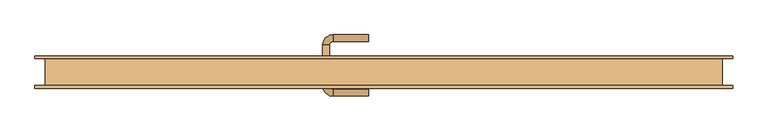
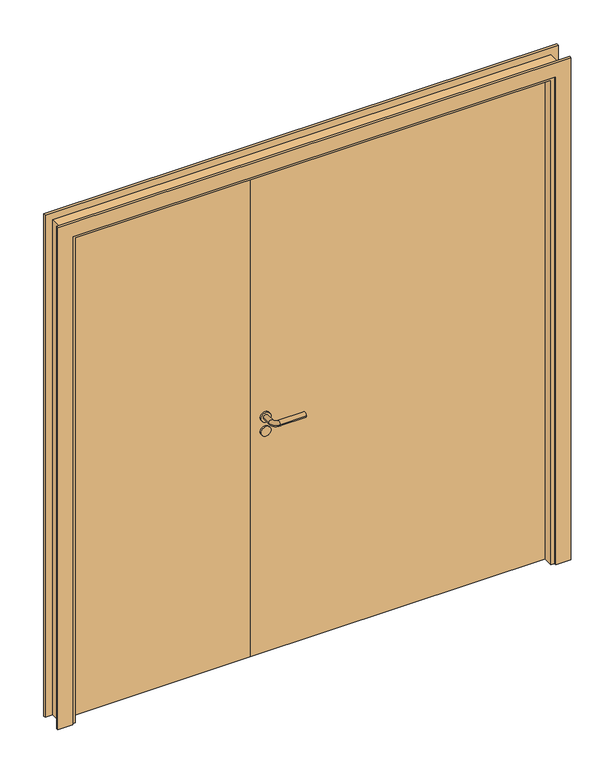
"""IFC4 building model written with IfcOpenShell, lengths in millimetres: door geometry."""

from ifc_helpers import new_model, si_unit, point, frame, frame_2d, origin, origin_with_axes, place, context, project, spatial, polyline, circle_curve, ellipse_curve, trimmed, segment, composite_curve, outline, extrude, faceted_brep, source, transform, mapped, element, save
from ifc_brep_helpers import plane_surface, cylinder_surface, revolved_surface, advanced_brep


def door_22148fc0(model_context):
    return source(origin(), model_context, "Body", "SolidModel", [
        advanced_brep(
        [(-190.0, -6.5831809, 1000.0), (-150.0, -6.5831809, 1000.0), (-180.0, -6.5831809, 1000.0), (-160.0, -6.5831809, 1000.0), (-190.0, 0.0, 1000.0), (-150.0, 0.0, 1000.0), (-45.0, -70.6350833, 1000.0), (-45.0, -50.6350833, 1000.0), (-180.0, -40.6350833, 1000.0), (-160.0, -40.6350833, 1000.0), (-150.0, -70.6350833, 1000.0), (-150.0, -50.6350833, 1000.0)],
        [
            (0, 1, circle_curve(frame((-170.0, -6.5831809, 1000.0), z_axis=(0.0, -1.0, 0.0), x_axis=(1.0, 0.0, 0.0)), 20.0)),
            (1, 0, circle_curve(frame((-170.0, -6.5831809, 1000.0), z_axis=(0.0, -1.0, 0.0), x_axis=(1.0, 0.0, 0.0)), 20.0)),
            (2, 3, circle_curve(frame((-170.0, -6.5831809, 1000.0), z_axis=(0.0, 1.0, 0.0), x_axis=(1.0, 0.0, 0.0)), 10.0)),
            (3, 2, circle_curve(frame((-170.0, -6.5831809, 1000.0), z_axis=(0.0, 1.0, 0.0), x_axis=(1.0, 0.0, 0.0)), 10.0)),
            (4, 5, circle_curve(frame((-170.0, 0.0, 1000.0), z_axis=(0.0, 1.0, 0.0), x_axis=(1.0, 0.0, 0.0)), 20.0)),
            (5, 4, circle_curve(frame((-170.0, 0.0, 1000.0), z_axis=(0.0, 1.0, 0.0), x_axis=(1.0, 0.0, 0.0)), 20.0)),
            (0, 4),
            (5, 1),
            (6, 7, circle_curve(frame((-45.0, -60.6350833, 1000.0), z_axis=(1.0, 0.0, 0.0), x_axis=(0.0, 1.0, 0.0)), 10.0)),
            (7, 6, circle_curve(frame((-45.0, -60.6350833, 1000.0), z_axis=(1.0, 0.0, 0.0), x_axis=(0.0, 1.0, 0.0)), 10.0)),
            (8, 9, circle_curve(frame((-170.0, -40.6350833, 1000.0), z_axis=(0.0, 1.0, 0.0), x_axis=(1.0, 0.0, 0.0)), 10.0)),
            (9, 3),
            (2, 8),
            (9, 8, circle_curve(frame((-170.0, -40.6350833, 1000.0), z_axis=(0.0, 1.0, 0.0), x_axis=(1.0, 0.0, 0.0)), 10.0)),
            (8, 10, circle_curve(frame((-150.0, -40.6350833, 1000.0), z_axis=(0.0, 0.0, 1.0), x_axis=(-1.0, 0.0, 0.0)), 30.0)),
            (10, 11, circle_curve(frame((-150.0, -60.6350833, 1000.0), z_axis=(-1.0, 0.0, 0.0), x_axis=(0.0, 1.0, 0.0)), 10.0)),
            (11, 9, circle_curve(frame((-150.0, -40.6350833, 1000.0), z_axis=(0.0, 0.0, -1.0), x_axis=(-1.0, 0.0, 0.0)), 10.0)),
            (11, 10, circle_curve(frame((-150.0, -60.6350833, 1000.0), z_axis=(-1.0, 0.0, 0.0), x_axis=(0.0, 1.0, 0.0)), 10.0)),
            (7, 11),
            (10, 6),
        ],
        [
            plane_surface(frame((-150.0, -6.5831809, 1000.0), z_axis=(0.0, -1.0, 0.0), x_axis=(0.0, 0.0, 1.0))),
            plane_surface(frame((-150.0, 0.0, 1000.0), z_axis=(0.0, 1.0, 0.0), x_axis=(0.0, 0.0, -1.0))),
            cylinder_surface(frame((-170.0, 0.0, 1000.0), z_axis=(0.0, -1.0, 0.0), x_axis=(1.0, 0.0, 0.0)), 20.0),
            plane_surface(frame((-45.0, -60.6350833, 1000.0), z_axis=(1.0, 0.0, 0.0), x_axis=(0.0, 0.0, -1.0))),
            cylinder_surface(frame((-170.0, 0.0, 1000.0), z_axis=(0.0, 1.0, 0.0), x_axis=(1.0, 0.0, 0.0)), 10.0),
            revolved_surface(trimmed(ellipse_curve(frame((-170.0, -40.6350833, 1000.0), z_axis=(0.0, 1.0, 0.0), x_axis=(1.0, 0.0, 0.0)), 10.0, 10.0), [point((-180.0, -40.6350833, 1000.0))], [point((-160.0, -40.6350833, 1000.0))], True, "CARTESIAN"), (-150.0, -40.6350833, 1000.0), (0.0, 0.0, 1.0)),
            revolved_surface(trimmed(ellipse_curve(frame((-170.0, -40.6350833, 1000.0), z_axis=(0.0, 1.0, 0.0), x_axis=(1.0, 0.0, 0.0)), 10.0, 10.0), [point((-160.0, -40.6350833, 1000.0))], [point((-180.0, -40.6350833, 1000.0))], True, "CARTESIAN"), (-150.0, -40.6350833, 1000.0), (0.0, 0.0, 1.0)),
            cylinder_surface(frame((-150.0, -60.6350833, 1000.0), z_axis=(-1.0, 0.0, 0.0), x_axis=(0.0, 1.0, 0.0)), 10.0),
        ],
        [
            (0, [[1, 2], [3, 4]]),
            (1, [[5, 6]]),
            (2, [[-1, 7, -6, 8]]),
            (2, [[-2, -8, -5, -7]]),
            (3, [[9, 10]]),
            (4, [[11, 12, -3, 13]]),
            (4, [[14, -13, -4, -12]]),
            (5, [[-11, 15, 16, 17]]),
            (6, [[-14, -17, 18, -15]]),
            (7, [[-10, 19, -16, 20]]),
            (7, [[-9, -20, -18, -19]]),
        ],
    ),
        extrude(outline(composite_curve([segment(trimmed(circle_curve(frame_2d((940.0, -170.0)), 20.0), [point((940.0, -190.0))], [point((940.0, -150.0))], False, "CARTESIAN"), True, "CONTINUOUS"), segment(trimmed(circle_curve(frame_2d((940.0, -170.0)), 20.0), [point((940.0, -150.0))], [point((940.0, -190.0))], False, "CARTESIAN"), True, "CONTINUOUS")], self_intersect=False)), frame((0.0, -6.5831809, 0.0), z_axis=(0.0, 1.0, 0.0), x_axis=(0.0, 0.0, 1.0)), (0.0, 0.0, 1.0), 6.5831809),
        advanced_brep(
        [(-190.0, 46.5831809, 1000.0), (-150.0, 46.5831809, 1000.0), (-180.0, 46.5831809, 1000.0), (-160.0, 46.5831809, 1000.0), (-190.0, 40.0, 1000.0), (-150.0, 40.0, 1000.0), (-45.0, 110.6350833, 1000.0), (-45.0, 90.6350833, 1000.0), (-180.0, 80.6350833, 1000.0), (-160.0, 80.6350833, 1000.0), (-150.0, 90.6350833, 1000.0), (-150.0, 110.6350833, 1000.0)],
        [
            (0, 1, circle_curve(frame((-170.0, 46.5831809, 1000.0), z_axis=(0.0, 1.0, 0.0), x_axis=(1.0, 0.0, 0.0)), 20.0)),
            (1, 0, circle_curve(frame((-170.0, 46.5831809, 1000.0), z_axis=(0.0, 1.0, 0.0), x_axis=(1.0, 0.0, 0.0)), 20.0)),
            (2, 3, circle_curve(frame((-170.0, 46.5831809, 1000.0), z_axis=(0.0, -1.0, 0.0), x_axis=(1.0, 0.0, 0.0)), 10.0)),
            (3, 2, circle_curve(frame((-170.0, 46.5831809, 1000.0), z_axis=(0.0, -1.0, 0.0), x_axis=(1.0, 0.0, 0.0)), 10.0)),
            (4, 5, circle_curve(frame((-170.0, 40.0, 1000.0), z_axis=(0.0, -1.0, 0.0), x_axis=(1.0, 0.0, 0.0)), 20.0)),
            (5, 4, circle_curve(frame((-170.0, 40.0, 1000.0), z_axis=(0.0, -1.0, 0.0), x_axis=(1.0, 0.0, 0.0)), 20.0)),
            (1, 5),
            (4, 0),
            (6, 7, circle_curve(frame((-45.0, 100.6350833, 1000.0), z_axis=(1.0, 0.0, 0.0), x_axis=(0.0, -1.0, 0.0)), 10.0)),
            (7, 6, circle_curve(frame((-45.0, 100.6350833, 1000.0), z_axis=(1.0, 0.0, 0.0), x_axis=(0.0, -1.0, 0.0)), 10.0)),
            (8, 2),
            (3, 9),
            (9, 8, circle_curve(frame((-170.0, 80.6350833, 1000.0), z_axis=(0.0, -1.0, 0.0), x_axis=(1.0, 0.0, 0.0)), 10.0)),
            (8, 9, circle_curve(frame((-170.0, 80.6350833, 1000.0), z_axis=(0.0, -1.0, 0.0), x_axis=(1.0, 0.0, 0.0)), 10.0)),
            (9, 10, circle_curve(frame((-150.0, 80.6350833, 1000.0), z_axis=(0.0, 0.0, -1.0), x_axis=(-1.0, 0.0, 0.0)), 10.0)),
            (10, 11, circle_curve(frame((-150.0, 100.6350833, 1000.0), z_axis=(-1.0, 0.0, 0.0), x_axis=(0.0, -1.0, 0.0)), 10.0)),
            (11, 8, circle_curve(frame((-150.0, 80.6350833, 1000.0), z_axis=(0.0, 0.0, 1.0), x_axis=(-1.0, 0.0, 0.0)), 30.0)),
            (11, 10, circle_curve(frame((-150.0, 100.6350833, 1000.0), z_axis=(-1.0, 0.0, 0.0), x_axis=(0.0, -1.0, 0.0)), 10.0)),
            (6, 11),
            (10, 7),
        ],
        [
            plane_surface(frame((-150.0, 46.5831809, 1000.0), z_axis=(0.0, 1.0, 0.0), x_axis=(0.0, 0.0, 1.0))),
            plane_surface(frame((-150.0, 40.0, 1000.0), z_axis=(0.0, -1.0, 0.0), x_axis=(0.0, 0.0, -1.0))),
            cylinder_surface(frame((-170.0, 40.0, 1000.0), z_axis=(0.0, 1.0, 0.0), x_axis=(1.0, 0.0, 0.0)), 20.0),
            plane_surface(frame((-45.0, 100.6350833, 1000.0), z_axis=(1.0, 0.0, 0.0), x_axis=(0.0, 0.0, -1.0))),
            cylinder_surface(frame((-170.0, 40.0, 1000.0), z_axis=(0.0, -1.0, 0.0), x_axis=(1.0, 0.0, 0.0)), 10.0),
            revolved_surface(trimmed(ellipse_curve(frame((-170.0, 80.6350833, 1000.0), z_axis=(0.0, 1.0, 0.0), x_axis=(1.0, 0.0, 0.0)), 10.0, 10.0), [point((-180.0, 80.6350833, 1000.0))], [point((-160.0, 80.6350833, 1000.0))], True, "CARTESIAN"), (-150.0, 80.6350833, 1000.0), (0.0, 0.0, 1.0)),
            revolved_surface(trimmed(ellipse_curve(frame((-170.0, 80.6350833, 1000.0), z_axis=(0.0, 1.0, 0.0), x_axis=(1.0, 0.0, 0.0)), 10.0, 10.0), [point((-160.0, 80.6350833, 1000.0))], [point((-180.0, 80.6350833, 1000.0))], True, "CARTESIAN"), (-150.0, 80.6350833, 1000.0), (0.0, 0.0, 1.0)),
            cylinder_surface(frame((-150.0, 100.6350833, 1000.0), z_axis=(-1.0, 0.0, 0.0), x_axis=(0.0, -1.0, 0.0)), 10.0),
        ],
        [
            (0, [[1, 2], [3, 4]]),
            (1, [[5, 6]]),
            (2, [[7, -5, 8, -2]]),
            (2, [[-8, -6, -7, -1]]),
            (3, [[9, 10]]),
            (4, [[11, -4, 12, 13]]),
            (4, [[-12, -3, -11, 14]]),
            (5, [[15, 16, 17, -13]]),
            (6, [[-17, 18, -15, -14]]),
            (7, [[19, -16, 20, -9]]),
            (7, [[-20, -18, -19, -10]]),
        ],
    ),
        extrude(outline(composite_curve([segment(trimmed(circle_curve(frame_2d((940.0, -170.0)), 20.0), [point((940.0, -190.0))], [point((940.0, -150.0))], False, "CARTESIAN"), True, "CONTINUOUS"), segment(trimmed(circle_curve(frame_2d((940.0, -170.0)), 20.0), [point((940.0, -150.0))], [point((940.0, -190.0))], False, "CARTESIAN"), True, "CONTINUOUS")], self_intersect=False)), frame((0.0, 40.0, 0.0), z_axis=(0.0, 1.0, 0.0), x_axis=(0.0, 0.0, 1.0)), (0.0, 0.0, 1.0), 6.5831809),
        extrude(outline(polyline([(-970.0, 20.0), (-230.0, 20.0), (-230.0, 0.0), (-970.0, 0.0), (-970.0, 20.0)])), origin_with_axes(), (0.0, 0.0, 1.0), 2070.0),
        extrude(outline(polyline([(-230.0, 20.0), (-970.0, 20.0), (-970.0, 40.0), (-230.0, 40.0), (-230.0, 20.0)])), origin_with_axes(), (0.0, 0.0, 1.0), 2070.0),
        extrude(outline(polyline([(-230.0, 20.0), (970.0, 20.0), (970.0, 0.0), (-230.0, 0.0), (-230.0, 20.0)])), origin_with_axes(), (0.0, 0.0, 1.0), 2070.0),
        extrude(outline(polyline([(970.0, 20.0), (-230.0, 20.0), (-230.0, 40.0), (970.0, 40.0), (970.0, 20.0)])), origin_with_axes(), (0.0, 0.0, 1.0), 2070.0),
        extrude(outline(polyline([(0.0, -1030.0), (0.0, -970.0), (2070.0, -970.0), (2070.0, 970.0), (0.0, 970.0), (0.0, 1030.0), (2130.0, 1030.0), (2130.0, -1030.0), (0.0, -1030.0)])), frame((0.0, -48.0, 0.0), z_axis=(0.0, 1.0, 0.0), x_axis=(0.0, 0.0, 1.0)), (0.0, 0.0, 1.0), 8.0),
        extrude(outline(polyline([(0.0, -970.0), (2070.0, -970.0), (2070.0, 970.0), (0.0, 970.0), (0.0, 1030.0), (2130.0, 1030.0), (2130.0, -1030.0), (0.0, -1030.0), (0.0, -970.0)])), frame((0.0, 40.0, 0.0), z_axis=(0.0, 1.0, 0.0), x_axis=(0.0, 0.0, 1.0)), (0.0, 0.0, 1.0), 8.0),
        faceted_brep([(-970.0, 0.0, 0.0), (-955.0, 0.0, 0.0), (-955.0, -40.0, 0.0), (-1000.0, -40.0, 0.0), (-1000.0, 40.0, 0.0), (-970.0, 40.0, 0.0), (-970.0, 0.0, 2070.0), (970.0, 0.0, 2070.0), (970.0, 0.0, 0.0), (955.0, 0.0, 0.0), (955.0, 0.0, 2055.0), (-955.0, 0.0, 2055.0), (-955.0, -40.0, 2055.0), (955.0, -40.0, 2055.0), (955.0, -40.0, 0.0), (1000.0, -40.0, 0.0), (1000.0, -40.0, 2100.0), (-1000.0, -40.0, 2100.0), (-1000.0, 40.0, 2100.0), (1000.0, 40.0, 2100.0), (1000.0, 40.0, 0.0), (970.0, 40.0, 0.0), (970.0, 40.0, 2070.0), (-970.0, 40.0, 2070.0)], [[[0, 1, 2, 3, 4, 5]], [[1, 0, 6, 7, 8, 9, 10, 11]], [[2, 1, 11, 12]], [[3, 2, 12, 13, 14, 15, 16, 17]], [[4, 3, 17, 18]], [[5, 4, 18, 19, 20, 21, 22, 23]], [[0, 5, 23, 6]], [[7, 22, 21, 8]], [[8, 21, 20, 15, 14, 9]], [[13, 10, 9, 14]], [[19, 16, 15, 20]], [[12, 11, 10, 13]], [[18, 17, 16, 19]], [[6, 23, 22, 7]]]),
    ])


if __name__ == "__main__":
    model = new_model("IFC4")
    model_context = context("Model", 3, world=origin())
    ifc_project = project(units=[si_unit("LENGTHUNIT", "METRE", prefix="MILLI")], contexts=[model_context])
    site = spatial("IfcSite", under=ifc_project)
    building = spatial("IfcBuilding", under=site)
    placement = place(None, origin())
    door_shape = door_22148fc0(model_context)
    element("IfcDoor", 1, at=placement, inside=building, context=model_context, shape_type="MappedRepresentation", body=[
        mapped(door_shape, transform((0.0, 0.0, 0.0), x_axis=(1.0, 0.0, 0.0), y_axis=(0.0, 1.0, 0.0), z_axis=(0.0, 0.0, 1.0))),
    ])
    save(model, "model.ifc")
